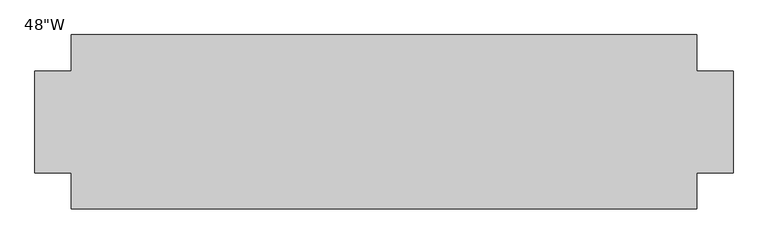
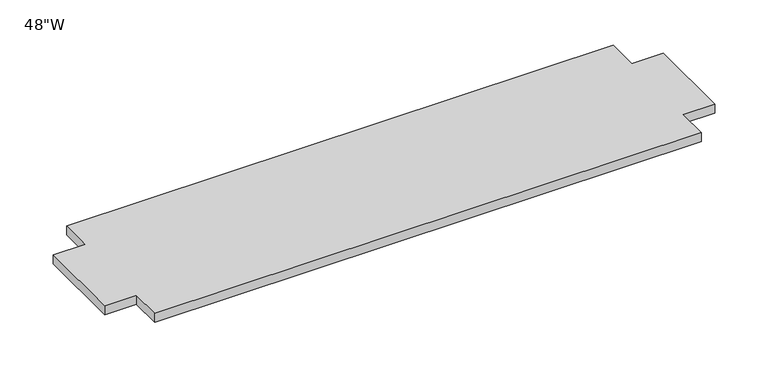
"""IFC4 building model written with IfcOpenShell, lengths in millimetres: furniture geometry."""

import ifcopenshell
import ifcopenshell.guid

model = None  # the IFC model being written
_history = None  # IfcOwnerHistory: only IFC2X3 demands one
_inside = {}  # id of a spatial element -> (the spatial element, [elements in it])
_under = {}  # id of a project, library or spatial element -> (it, [spatial elements below it])
_declared = {}  # id of a project -> (the project, [libraries it declares])
_typed = {}  # id of a type object -> (the type object, [elements of that type])
_made_of = {}  # id of a material, layer set ... -> (it, [elements and type objects made of it])


def new_model(schema):
    """Start an empty IFC model of exactly this schema.

    Asked for "IFC4X3", IfcOpenShell would pick the latest addendum, in which some entities
    have other attributes; the version numbers below select the first issue.
    IFC2X3 requires an IfcOwnerHistory on every rooted entity: one is made here for all.
    """
    global model, _history
    if schema == "IFC4X3":
        model = ifcopenshell.file(schema_version=(4, 3, 0, 0))
    else:
        model = ifcopenshell.file(schema=schema)
    _inside.clear()
    _under.clear()
    _declared.clear()
    _typed.clear()
    _made_of.clear()
    _history = None
    if model.schema == "IFC2X3":
        org = make("IfcOrganization", Name="unknown")
        user = make(
            "IfcPersonAndOrganization",
            ThePerson=make("IfcPerson", FamilyName="unknown"),
            TheOrganization=org,
        )
        app = make(
            "IfcApplication",
            ApplicationDeveloper=org,
            Version="unknown",
            ApplicationFullName="unknown",
            ApplicationIdentifier="unknown",
        )
        _history = make(
            "IfcOwnerHistory",
            OwningUser=user,
            OwningApplication=app,
            ChangeAction="ADDED",
            CreationDate=0,
        )
    return model


def make(cls, **values):
    """One entity of the class cls with the attributes given. An attribute that is None is left unset."""
    return model.create_entity(
        cls, **{name: value for name, value in values.items() if value is not None}
    )


def rooted(cls, **values):
    """An entity with a GlobalId (a new one), such as an element, a storey or a relation."""
    return make(cls, GlobalId=ifcopenshell.guid.new(), OwnerHistory=_history, **values)


def si_unit(unit_type, name, prefix=None):
    """IfcSIUnit, for example si_unit("LENGTHUNIT", "METRE", prefix="MILLI")."""
    return make("IfcSIUnit", UnitType=unit_type, Prefix=prefix, Name=name)


def assignment(units):
    """IfcUnitAssignment: the units of a project."""
    return None if units is None else make("IfcUnitAssignment", Units=units)


def point(xyz):
    """IfcCartesianPoint."""
    return None if xyz is None else make("IfcCartesianPoint", Coordinates=xyz)


def direction(xyz):
    """IfcDirection."""
    return None if xyz is None else make("IfcDirection", DirectionRatios=xyz)


def frame(location, z_axis=None, x_axis=None):
    """IfcAxis2Placement3D, a coordinate frame: its origin and axes. An axis left out is left unset."""
    return make(
        "IfcAxis2Placement3D",
        Location=point(location),
        Axis=direction(z_axis),
        RefDirection=direction(x_axis),
    )


def origin():
    """The frame at (0, 0, 0) with its axes left unset."""
    return frame((0.0, 0.0, 0.0))


def place(relative_to, where):
    """IfcLocalPlacement: puts the frame where relative to a parent placement (None: the world)."""
    return make(
        "IfcLocalPlacement", PlacementRelTo=relative_to, RelativePlacement=where
    )


def context(
    kind, dimensions, precision=None, world=None, true_north=None, identifier=None
):
    """IfcGeometricRepresentationContext, for example the 3D "Model" context."""
    return make(
        "IfcGeometricRepresentationContext",
        ContextIdentifier=identifier,
        ContextType=kind,
        CoordinateSpaceDimension=dimensions,
        Precision=precision,
        WorldCoordinateSystem=world,
        TrueNorth=true_north,
    )


def project(units=None, contexts=None):
    """IfcProject with its units and contexts."""
    return rooted(
        "IfcProject",
        Name="project",
        RepresentationContexts=contexts,
        UnitsInContext=assignment(units),
    )


def spatial(cls, under=None, at=None, **own):
    """A site, building, storey or space (cls), placed at a placement, below another one or the project."""
    s = rooted(cls, ObjectPlacement=at, **own)
    if under is not None:
        _under.setdefault(under.id(), (under, []))[1].append(s)
    return s


def polyline(points):
    """IfcPolyline through the points."""
    return make("IfcPolyline", Points=[point(p) for p in points])


def outline(outer, holes=None, kind="AREA"):
    """IfcArbitraryClosedProfileDef: a profile drawn as a closed curve; with holes, ...WithVoids."""
    if holes is None:
        return make("IfcArbitraryClosedProfileDef", ProfileType=kind, OuterCurve=outer)
    return make(
        "IfcArbitraryProfileDefWithVoids",
        ProfileType=kind,
        OuterCurve=outer,
        InnerCurves=holes,
    )


def extrude(swept, where, along, depth):
    """IfcExtrudedAreaSolid: the profile swept, set in the frame where, extruded along a direction by depth."""
    return make(
        "IfcExtrudedAreaSolid",
        SweptArea=swept,
        Position=where,
        ExtrudedDirection=direction(along),
        Depth=depth,
    )


def shape(context_of_items, identifier, shape_type, items):
    """IfcShapeRepresentation: the items that make up one representation, for example the "Body"."""
    return make(
        "IfcShapeRepresentation",
        ContextOfItems=context_of_items,
        RepresentationIdentifier=identifier,
        RepresentationType=shape_type,
        Items=items,
    )


def source(mapping_origin, context_of_items, identifier, shape_type, items):
    """IfcRepresentationMap: a shape defined once, which mapped items show again and again."""
    return make(
        "IfcRepresentationMap",
        MappingOrigin=mapping_origin,
        MappedRepresentation=shape(context_of_items, identifier, shape_type, items),
    )


def transform(
    local_origin,
    x_axis=None,
    y_axis=None,
    z_axis=None,
    scale=None,
    scale2=None,
    scale3=None,
    uniform=True,
):
    """IfcCartesianTransformationOperator3D, or its non-uniform kind. x_axis, y_axis, z_axis: its Axis1, 2, 3."""
    if uniform:
        return make(
            "IfcCartesianTransformationOperator3D",
            Axis1=direction(x_axis),
            Axis2=direction(y_axis),
            LocalOrigin=point(local_origin),
            Scale=scale,
            Axis3=direction(z_axis),
        )
    return make(
        "IfcCartesianTransformationOperator3DnonUniform",
        Axis1=direction(x_axis),
        Axis2=direction(y_axis),
        LocalOrigin=point(local_origin),
        Scale=scale,
        Axis3=direction(z_axis),
        Scale2=scale2,
        Scale3=scale3,
    )


def mapped(mapping_source, mapping_target):
    """IfcMappedItem: shows the shape of a source again, moved by a transform."""
    return make(
        "IfcMappedItem", MappingSource=mapping_source, MappingTarget=mapping_target
    )


def made_of(thing, what):
    """Note that an element or type object is made of a material, layer set ...; save() writes the relation."""
    if what is not None:
        _made_of.setdefault(what.id(), (what, []))[1].append(thing)
    return thing


def element(
    cls,
    number,
    at=None,
    inside=None,
    cuts=None,
    type_object=None,
    material=None,
    context=None,
    identifier="Body",
    shape_type=None,
    held_by="IfcProductDefinitionShape",
    body=None,
    shapes=None,
    **own,
):
    """One element of the class cls, such as IfcWall. Its Tag is "e" and its number.

    at: its placement. inside: the storey or other place that contains it. cuts: it is an
    opening in that element (IfcRelVoidsElement). A single representation is given by context,
    identifier, shape_type and body (its items); several are given by shapes. held_by: the class
    of the entity that holds the representations. save() writes the other relations.
    """
    e = rooted(cls, Tag="e%d" % number, ObjectPlacement=at, **own)
    if body is not None:
        shapes = [shape(context, identifier, shape_type, body)]
    if shapes is not None:
        e.Representation = make(held_by, Representations=shapes)
    if inside is not None:
        _inside.setdefault(inside.id(), (inside, []))[1].append(e)
    if cuts is not None:
        rooted(
            "IfcRelVoidsElement", RelatingBuildingElement=cuts, RelatedOpeningElement=e
        )
    if type_object is not None:
        _typed.setdefault(type_object.id(), (type_object, []))[1].append(e)
    return made_of(e, material)


def aggregate(whole, parts):
    """IfcRelAggregates: a whole, such as a stair, and the parts it consists of."""
    return rooted("IfcRelAggregates", RelatingObject=whole, RelatedObjects=parts)


def save(model, path):
    """Write the relations noted so far, then the file.

    IfcRelAggregates (storeys below a building ...), IfcRelContainedInSpatialStructure (elements
    in a storey), IfcRelDefinesByType, IfcRelAssociatesMaterial and IfcRelDeclares: one each for
    every whole, place, type object, material and project.
    """
    for whole, parts in _under.values():
        aggregate(whole, parts)
    for where, things in _inside.values():
        rooted(
            "IfcRelContainedInSpatialStructure",
            RelatedElements=things,
            RelatingStructure=where,
        )
    for kind, things in _typed.values():
        rooted("IfcRelDefinesByType", RelatedObjects=things, RelatingType=kind)
    for what, things in _made_of.values():
        rooted("IfcRelAssociatesMaterial", RelatedObjects=things, RelatingMaterial=what)
    for by, libraries in _declared.values():
        rooted("IfcRelDeclares", RelatingContext=by, RelatedDefinitions=libraries)
    model.write(path)


def furniture_986cfa8f(model_context):
    return source(origin(), model_context, "Body", "SweptSolid", [
        extrude(outline(polyline([(546.1, 177.8), (546.1, 114.3), (609.6, 114.3), (609.6, -63.5), (546.1, -63.5), (546.1, -127.0), (-546.1, -127.0), (-546.1, -63.5), (-609.6, -63.5), (-609.6, 114.3), (-546.1, 114.3), (-546.1, 177.8), (546.1, 177.8)])), frame((0.0, 0.0, 1238.25), z_axis=(0.0, 0.0, 1.0), x_axis=(1.0, 0.0, 0.0)), (0.0, 0.0, 1.0), 19.05),
    ])


if __name__ == "__main__":
    model = new_model("IFC4")
    model_context = context("Model", 3, world=origin())
    ifc_project = project(units=[si_unit("LENGTHUNIT", "METRE", prefix="MILLI")], contexts=[model_context])
    site = spatial("IfcSite", under=ifc_project)
    building = spatial("IfcBuilding", under=site)
    placement = place(None, origin())
    furniture_shape = furniture_986cfa8f(model_context)
    element("IfcFurniture", 1, ObjectType="48\"W", at=placement, inside=building, context=model_context, shape_type="MappedRepresentation", body=[
        mapped(furniture_shape, transform((0.0, 0.0, 0.0), x_axis=(1.0, 0.0, 0.0), y_axis=(0.0, 1.0, 0.0), z_axis=(0.0, 0.0, 1.0))),
    ])
    save(model, "model.ifc")
